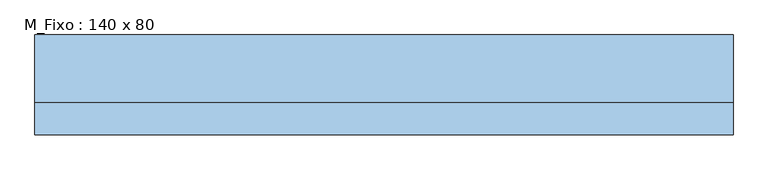
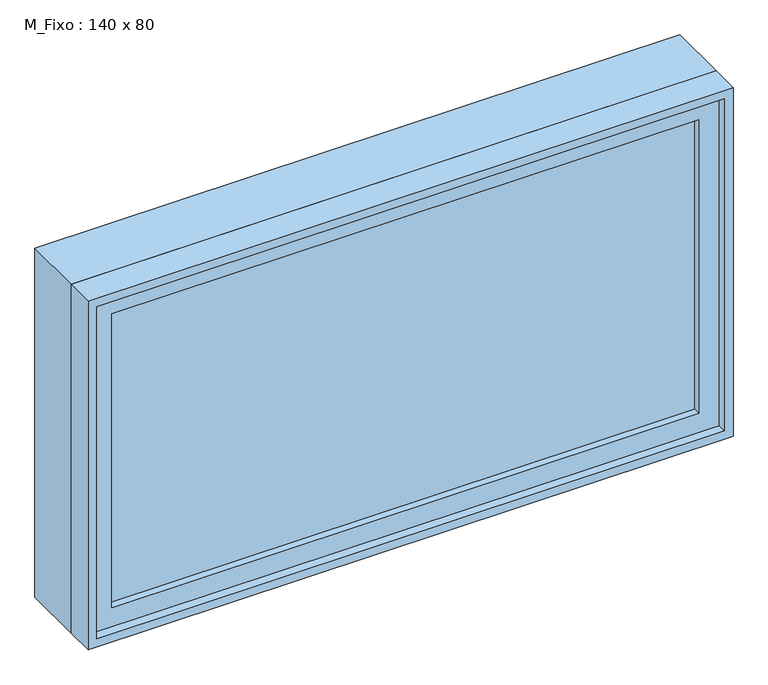
"""IFC4 building model written with IfcOpenShell, lengths in millimetres: window geometry, M_Fixo : 140 x 80."""

import ifcopenshell
import ifcopenshell.guid

model = None  # the IFC model being written
_history = None  # IfcOwnerHistory: only IFC2X3 demands one
_inside = {}  # id of a spatial element -> (the spatial element, [elements in it])
_under = {}  # id of a project, library or spatial element -> (it, [spatial elements below it])
_declared = {}  # id of a project -> (the project, [libraries it declares])
_typed = {}  # id of a type object -> (the type object, [elements of that type])
_made_of = {}  # id of a material, layer set ... -> (it, [elements and type objects made of it])


def new_model(schema):
    """Start an empty IFC model of exactly this schema.

    Asked for "IFC4X3", IfcOpenShell would pick the latest addendum, in which some entities
    have other attributes; the version numbers below select the first issue.
    IFC2X3 requires an IfcOwnerHistory on every rooted entity: one is made here for all.
    """
    global model, _history
    if schema == "IFC4X3":
        model = ifcopenshell.file(schema_version=(4, 3, 0, 0))
    else:
        model = ifcopenshell.file(schema=schema)
    _inside.clear()
    _under.clear()
    _declared.clear()
    _typed.clear()
    _made_of.clear()
    _history = None
    if model.schema == "IFC2X3":
        org = make("IfcOrganization", Name="unknown")
        user = make(
            "IfcPersonAndOrganization",
            ThePerson=make("IfcPerson", FamilyName="unknown"),
            TheOrganization=org,
        )
        app = make(
            "IfcApplication",
            ApplicationDeveloper=org,
            Version="unknown",
            ApplicationFullName="unknown",
            ApplicationIdentifier="unknown",
        )
        _history = make(
            "IfcOwnerHistory",
            OwningUser=user,
            OwningApplication=app,
            ChangeAction="ADDED",
            CreationDate=0,
        )
    return model


def make(cls, **values):
    """One entity of the class cls with the attributes given. An attribute that is None is left unset."""
    return model.create_entity(
        cls, **{name: value for name, value in values.items() if value is not None}
    )


def rooted(cls, **values):
    """An entity with a GlobalId (a new one), such as an element, a storey or a relation."""
    return make(cls, GlobalId=ifcopenshell.guid.new(), OwnerHistory=_history, **values)


def si_unit(unit_type, name, prefix=None):
    """IfcSIUnit, for example si_unit("LENGTHUNIT", "METRE", prefix="MILLI")."""
    return make("IfcSIUnit", UnitType=unit_type, Prefix=prefix, Name=name)


def assignment(units):
    """IfcUnitAssignment: the units of a project."""
    return None if units is None else make("IfcUnitAssignment", Units=units)


def point(xyz):
    """IfcCartesianPoint."""
    return None if xyz is None else make("IfcCartesianPoint", Coordinates=xyz)


def direction(xyz):
    """IfcDirection."""
    return None if xyz is None else make("IfcDirection", DirectionRatios=xyz)


def frame(location, z_axis=None, x_axis=None):
    """IfcAxis2Placement3D, a coordinate frame: its origin and axes. An axis left out is left unset."""
    return make(
        "IfcAxis2Placement3D",
        Location=point(location),
        Axis=direction(z_axis),
        RefDirection=direction(x_axis),
    )


def origin():
    """The frame at (0, 0, 0) with its axes left unset."""
    return frame((0.0, 0.0, 0.0))


def place(relative_to, where):
    """IfcLocalPlacement: puts the frame where relative to a parent placement (None: the world)."""
    return make(
        "IfcLocalPlacement", PlacementRelTo=relative_to, RelativePlacement=where
    )


def context(
    kind, dimensions, precision=None, world=None, true_north=None, identifier=None
):
    """IfcGeometricRepresentationContext, for example the 3D "Model" context."""
    return make(
        "IfcGeometricRepresentationContext",
        ContextIdentifier=identifier,
        ContextType=kind,
        CoordinateSpaceDimension=dimensions,
        Precision=precision,
        WorldCoordinateSystem=world,
        TrueNorth=true_north,
    )


def project(units=None, contexts=None):
    """IfcProject with its units and contexts."""
    return rooted(
        "IfcProject",
        Name="project",
        RepresentationContexts=contexts,
        UnitsInContext=assignment(units),
    )


def spatial(cls, under=None, at=None, **own):
    """A site, building, storey or space (cls), placed at a placement, below another one or the project."""
    s = rooted(cls, ObjectPlacement=at, **own)
    if under is not None:
        _under.setdefault(under.id(), (under, []))[1].append(s)
    return s


def polyline(points):
    """IfcPolyline through the points."""
    return make("IfcPolyline", Points=[point(p) for p in points])


def outline(outer, holes=None, kind="AREA"):
    """IfcArbitraryClosedProfileDef: a profile drawn as a closed curve; with holes, ...WithVoids."""
    if holes is None:
        return make("IfcArbitraryClosedProfileDef", ProfileType=kind, OuterCurve=outer)
    return make(
        "IfcArbitraryProfileDefWithVoids",
        ProfileType=kind,
        OuterCurve=outer,
        InnerCurves=holes,
    )


def extrude(swept, where, along, depth):
    """IfcExtrudedAreaSolid: the profile swept, set in the frame where, extruded along a direction by depth."""
    return make(
        "IfcExtrudedAreaSolid",
        SweptArea=swept,
        Position=where,
        ExtrudedDirection=direction(along),
        Depth=depth,
    )


def shape(context_of_items, identifier, shape_type, items):
    """IfcShapeRepresentation: the items that make up one representation, for example the "Body"."""
    return make(
        "IfcShapeRepresentation",
        ContextOfItems=context_of_items,
        RepresentationIdentifier=identifier,
        RepresentationType=shape_type,
        Items=items,
    )


def source(mapping_origin, context_of_items, identifier, shape_type, items):
    """IfcRepresentationMap: a shape defined once, which mapped items show again and again."""
    return make(
        "IfcRepresentationMap",
        MappingOrigin=mapping_origin,
        MappedRepresentation=shape(context_of_items, identifier, shape_type, items),
    )


def transform(
    local_origin,
    x_axis=None,
    y_axis=None,
    z_axis=None,
    scale=None,
    scale2=None,
    scale3=None,
    uniform=True,
):
    """IfcCartesianTransformationOperator3D, or its non-uniform kind. x_axis, y_axis, z_axis: its Axis1, 2, 3."""
    if uniform:
        return make(
            "IfcCartesianTransformationOperator3D",
            Axis1=direction(x_axis),
            Axis2=direction(y_axis),
            LocalOrigin=point(local_origin),
            Scale=scale,
            Axis3=direction(z_axis),
        )
    return make(
        "IfcCartesianTransformationOperator3DnonUniform",
        Axis1=direction(x_axis),
        Axis2=direction(y_axis),
        LocalOrigin=point(local_origin),
        Scale=scale,
        Axis3=direction(z_axis),
        Scale2=scale2,
        Scale3=scale3,
    )


def mapped(mapping_source, mapping_target):
    """IfcMappedItem: shows the shape of a source again, moved by a transform."""
    return make(
        "IfcMappedItem", MappingSource=mapping_source, MappingTarget=mapping_target
    )


def made_of(thing, what):
    """Note that an element or type object is made of a material, layer set ...; save() writes the relation."""
    if what is not None:
        _made_of.setdefault(what.id(), (what, []))[1].append(thing)
    return thing


def element(
    cls,
    number,
    at=None,
    inside=None,
    cuts=None,
    type_object=None,
    material=None,
    context=None,
    identifier="Body",
    shape_type=None,
    held_by="IfcProductDefinitionShape",
    body=None,
    shapes=None,
    **own,
):
    """One element of the class cls, such as IfcWall. Its Tag is "e" and its number.

    at: its placement. inside: the storey or other place that contains it. cuts: it is an
    opening in that element (IfcRelVoidsElement). A single representation is given by context,
    identifier, shape_type and body (its items); several are given by shapes. held_by: the class
    of the entity that holds the representations. save() writes the other relations.
    """
    e = rooted(cls, Tag="e%d" % number, ObjectPlacement=at, **own)
    if body is not None:
        shapes = [shape(context, identifier, shape_type, body)]
    if shapes is not None:
        e.Representation = make(held_by, Representations=shapes)
    if inside is not None:
        _inside.setdefault(inside.id(), (inside, []))[1].append(e)
    if cuts is not None:
        rooted(
            "IfcRelVoidsElement", RelatingBuildingElement=cuts, RelatedOpeningElement=e
        )
    if type_object is not None:
        _typed.setdefault(type_object.id(), (type_object, []))[1].append(e)
    return made_of(e, material)


def aggregate(whole, parts):
    """IfcRelAggregates: a whole, such as a stair, and the parts it consists of."""
    return rooted("IfcRelAggregates", RelatingObject=whole, RelatedObjects=parts)


def save(model, path):
    """Write the relations noted so far, then the file.

    IfcRelAggregates (storeys below a building ...), IfcRelContainedInSpatialStructure (elements
    in a storey), IfcRelDefinesByType, IfcRelAssociatesMaterial and IfcRelDeclares: one each for
    every whole, place, type object, material and project.
    """
    for whole, parts in _under.values():
        aggregate(whole, parts)
    for where, things in _inside.values():
        rooted(
            "IfcRelContainedInSpatialStructure",
            RelatedElements=things,
            RelatingStructure=where,
        )
    for kind, things in _typed.values():
        rooted("IfcRelDefinesByType", RelatedObjects=things, RelatingType=kind)
    for what, things in _made_of.values():
        rooted("IfcRelAssociatesMaterial", RelatedObjects=things, RelatingMaterial=what)
    for by, libraries in _declared.values():
        rooted("IfcRelDeclares", RelatingContext=by, RelatedDefinitions=libraries)
    model.write(path)


def m_fixo_140_x_80_2dabb838(model_context):
    return source(origin(), model_context, "Body", "SweptSolid", [
        extrude(outline(polyline([(-637.0, -77.0), (-637.0, -65.0), (637.0, -65.0), (637.0, -77.0), (-637.0, -77.0)])), frame((0.0, 0.0, 963.0), z_axis=(0.0, 0.0, 1.0), x_axis=(1.0, 0.0, 0.0)), (0.0, 0.0, 1.0), 674.0),
        extrude(outline(polyline([(1681.0, -681.0), (919.0, -681.0), (919.0, 681.0), (1681.0, 681.0), (1681.0, -681.0)]), holes=[polyline([(1637.0, -637.0), (1637.0, 637.0), (963.0, 637.0), (963.0, -637.0), (1637.0, -637.0)])]), frame((0.0, -93.0, 0.0), z_axis=(0.0, 1.0, 0.0), x_axis=(0.0, 0.0, 1.0)), (0.0, 0.0, 1.0), 44.0),
        extrude(outline(polyline([(1700.0, -700.0), (900.0, -700.0), (900.0, 700.0), (1700.0, 700.0), (1700.0, -700.0)]), holes=[polyline([(1681.0, -681.0), (1681.0, 681.0), (919.0, 681.0), (919.0, -681.0), (1681.0, -681.0)])]), frame((0.0, -113.0, 0.0), z_axis=(0.0, 1.0, 0.0), x_axis=(0.0, 0.0, 1.0)), (0.0, 0.0, 1.0), 64.0),
        extrude(outline(polyline([(1700.0, -700.0), (900.0, -700.0), (900.0, 700.0), (1700.0, 700.0), (1700.0, -700.0)]), holes=[polyline([(1668.0, -668.0), (1668.0, 668.0), (932.0, 668.0), (932.0, -668.0), (1668.0, -668.0)])]), frame((0.0, -49.0, 0.0), z_axis=(0.0, 1.0, 0.0), x_axis=(0.0, 0.0, 1.0)), (0.0, 0.0, 1.0), 136.0),
    ])


if __name__ == "__main__":
    model = new_model("IFC4")
    model_context = context("Model", 3, world=origin())
    ifc_project = project(units=[si_unit("LENGTHUNIT", "METRE", prefix="MILLI")], contexts=[model_context])
    site = spatial("IfcSite", under=ifc_project)
    building = spatial("IfcBuilding", under=site)
    placement = place(None, origin())
    m_fixo_140_x_80_shape = m_fixo_140_x_80_2dabb838(model_context)
    element("IfcWindow", 1, ObjectType="M_Fixo : 140 x 80", at=placement, inside=building, context=model_context, shape_type="MappedRepresentation", body=[
        mapped(m_fixo_140_x_80_shape, transform((0.0, 0.0, 0.0), x_axis=(1.0, 0.0, 0.0), y_axis=(0.0, 1.0, 0.0), z_axis=(0.0, 0.0, 1.0))),
    ])
    save(model, "model.ifc")
